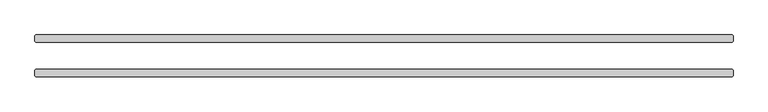
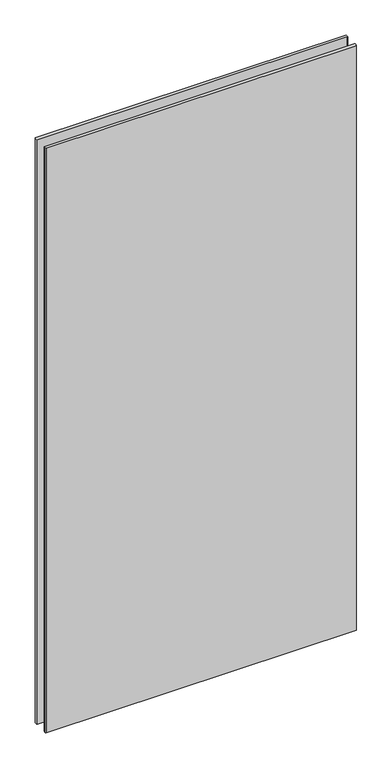
"""IFC4 building model written with IfcOpenShell, lengths in millimetres: plate geometry."""

from ifc_helpers import new_model, si_unit, origin, origin_with_axes, place, context, project, spatial, polyline, outline, extrude, source, transform, mapped, element, save


def plate_7d77d8b0(model_context):
    return source(origin(), model_context, "Body", "SweptSolid", [
        extrude(outline(polyline([(609.6, 23.8125), (-609.6, 23.8125), (-611.1875, 25.4), (-611.1875, 34.925), (-609.6, 36.5125), (609.6, 36.5125), (611.1875, 34.925), (611.1875, 25.4), (609.6, 23.8125)])), origin_with_axes(), (0.0, 0.0, 1.0), 2428.7789267),
        extrude(outline(polyline([(609.6, -36.5125), (-609.6, -36.5125), (-611.1875, -34.925), (-611.1875, -25.4), (-609.6, -23.8125), (609.6, -23.8125), (611.1875, -25.4), (611.1875, -34.925), (609.6, -36.5125)])), origin_with_axes(), (0.0, 0.0, 1.0), 2428.7789267),
    ])


if __name__ == "__main__":
    model = new_model("IFC4")
    model_context = context("Model", 3, world=origin())
    ifc_project = project(units=[si_unit("LENGTHUNIT", "METRE", prefix="MILLI")], contexts=[model_context])
    site = spatial("IfcSite", under=ifc_project)
    building = spatial("IfcBuilding", under=site)
    placement = place(None, origin())
    plate_shape = plate_7d77d8b0(model_context)
    element("IfcPlate", 1, at=placement, inside=building, context=model_context, shape_type="MappedRepresentation", body=[
        mapped(plate_shape, transform((0.0, 0.0, 0.0), x_axis=(1.0, 0.0, 0.0), y_axis=(0.0, 1.0, 0.0), z_axis=(0.0, 0.0, 1.0))),
    ])
    save(model, "model.ifc")
